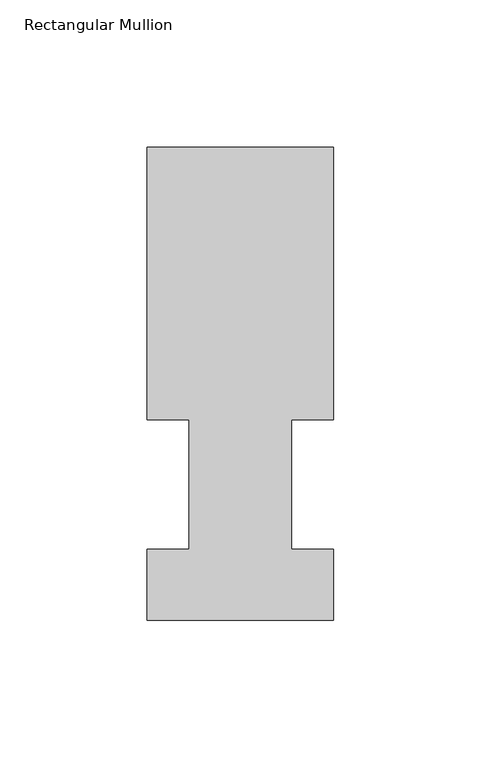
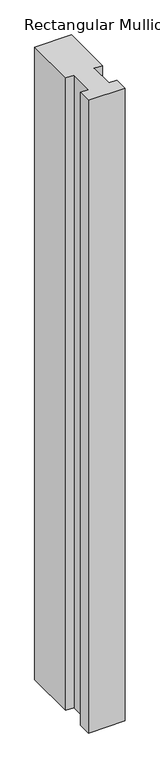
"""IFC4 building model written with IfcOpenShell, lengths in millimetres: member geometry, Rectangular Mullion."""

import ifcopenshell
import ifcopenshell.guid

model = None  # the IFC model being written
_history = None  # IfcOwnerHistory: only IFC2X3 demands one
_inside = {}  # id of a spatial element -> (the spatial element, [elements in it])
_under = {}  # id of a project, library or spatial element -> (it, [spatial elements below it])
_declared = {}  # id of a project -> (the project, [libraries it declares])
_typed = {}  # id of a type object -> (the type object, [elements of that type])
_made_of = {}  # id of a material, layer set ... -> (it, [elements and type objects made of it])


def new_model(schema):
    """Start an empty IFC model of exactly this schema.

    Asked for "IFC4X3", IfcOpenShell would pick the latest addendum, in which some entities
    have other attributes; the version numbers below select the first issue.
    IFC2X3 requires an IfcOwnerHistory on every rooted entity: one is made here for all.
    """
    global model, _history
    if schema == "IFC4X3":
        model = ifcopenshell.file(schema_version=(4, 3, 0, 0))
    else:
        model = ifcopenshell.file(schema=schema)
    _inside.clear()
    _under.clear()
    _declared.clear()
    _typed.clear()
    _made_of.clear()
    _history = None
    if model.schema == "IFC2X3":
        org = make("IfcOrganization", Name="unknown")
        user = make(
            "IfcPersonAndOrganization",
            ThePerson=make("IfcPerson", FamilyName="unknown"),
            TheOrganization=org,
        )
        app = make(
            "IfcApplication",
            ApplicationDeveloper=org,
            Version="unknown",
            ApplicationFullName="unknown",
            ApplicationIdentifier="unknown",
        )
        _history = make(
            "IfcOwnerHistory",
            OwningUser=user,
            OwningApplication=app,
            ChangeAction="ADDED",
            CreationDate=0,
        )
    return model


def make(cls, **values):
    """One entity of the class cls with the attributes given. An attribute that is None is left unset."""
    return model.create_entity(
        cls, **{name: value for name, value in values.items() if value is not None}
    )


def rooted(cls, **values):
    """An entity with a GlobalId (a new one), such as an element, a storey or a relation."""
    return make(cls, GlobalId=ifcopenshell.guid.new(), OwnerHistory=_history, **values)


def si_unit(unit_type, name, prefix=None):
    """IfcSIUnit, for example si_unit("LENGTHUNIT", "METRE", prefix="MILLI")."""
    return make("IfcSIUnit", UnitType=unit_type, Prefix=prefix, Name=name)


def assignment(units):
    """IfcUnitAssignment: the units of a project."""
    return None if units is None else make("IfcUnitAssignment", Units=units)


def point(xyz):
    """IfcCartesianPoint."""
    return None if xyz is None else make("IfcCartesianPoint", Coordinates=xyz)


def direction(xyz):
    """IfcDirection."""
    return None if xyz is None else make("IfcDirection", DirectionRatios=xyz)


def frame(location, z_axis=None, x_axis=None):
    """IfcAxis2Placement3D, a coordinate frame: its origin and axes. An axis left out is left unset."""
    return make(
        "IfcAxis2Placement3D",
        Location=point(location),
        Axis=direction(z_axis),
        RefDirection=direction(x_axis),
    )


def origin():
    """The frame at (0, 0, 0) with its axes left unset."""
    return frame((0.0, 0.0, 0.0))


def place(relative_to, where):
    """IfcLocalPlacement: puts the frame where relative to a parent placement (None: the world)."""
    return make(
        "IfcLocalPlacement", PlacementRelTo=relative_to, RelativePlacement=where
    )


def context(
    kind, dimensions, precision=None, world=None, true_north=None, identifier=None
):
    """IfcGeometricRepresentationContext, for example the 3D "Model" context."""
    return make(
        "IfcGeometricRepresentationContext",
        ContextIdentifier=identifier,
        ContextType=kind,
        CoordinateSpaceDimension=dimensions,
        Precision=precision,
        WorldCoordinateSystem=world,
        TrueNorth=true_north,
    )


def project(units=None, contexts=None):
    """IfcProject with its units and contexts."""
    return rooted(
        "IfcProject",
        Name="project",
        RepresentationContexts=contexts,
        UnitsInContext=assignment(units),
    )


def spatial(cls, under=None, at=None, **own):
    """A site, building, storey or space (cls), placed at a placement, below another one or the project."""
    s = rooted(cls, ObjectPlacement=at, **own)
    if under is not None:
        _under.setdefault(under.id(), (under, []))[1].append(s)
    return s


def polyline(points):
    """IfcPolyline through the points."""
    return make("IfcPolyline", Points=[point(p) for p in points])


def outline(outer, holes=None, kind="AREA"):
    """IfcArbitraryClosedProfileDef: a profile drawn as a closed curve; with holes, ...WithVoids."""
    if holes is None:
        return make("IfcArbitraryClosedProfileDef", ProfileType=kind, OuterCurve=outer)
    return make(
        "IfcArbitraryProfileDefWithVoids",
        ProfileType=kind,
        OuterCurve=outer,
        InnerCurves=holes,
    )


def extrude(swept, where, along, depth):
    """IfcExtrudedAreaSolid: the profile swept, set in the frame where, extruded along a direction by depth."""
    return make(
        "IfcExtrudedAreaSolid",
        SweptArea=swept,
        Position=where,
        ExtrudedDirection=direction(along),
        Depth=depth,
    )


def shape(context_of_items, identifier, shape_type, items):
    """IfcShapeRepresentation: the items that make up one representation, for example the "Body"."""
    return make(
        "IfcShapeRepresentation",
        ContextOfItems=context_of_items,
        RepresentationIdentifier=identifier,
        RepresentationType=shape_type,
        Items=items,
    )


def source(mapping_origin, context_of_items, identifier, shape_type, items):
    """IfcRepresentationMap: a shape defined once, which mapped items show again and again."""
    return make(
        "IfcRepresentationMap",
        MappingOrigin=mapping_origin,
        MappedRepresentation=shape(context_of_items, identifier, shape_type, items),
    )


def transform(
    local_origin,
    x_axis=None,
    y_axis=None,
    z_axis=None,
    scale=None,
    scale2=None,
    scale3=None,
    uniform=True,
):
    """IfcCartesianTransformationOperator3D, or its non-uniform kind. x_axis, y_axis, z_axis: its Axis1, 2, 3."""
    if uniform:
        return make(
            "IfcCartesianTransformationOperator3D",
            Axis1=direction(x_axis),
            Axis2=direction(y_axis),
            LocalOrigin=point(local_origin),
            Scale=scale,
            Axis3=direction(z_axis),
        )
    return make(
        "IfcCartesianTransformationOperator3DnonUniform",
        Axis1=direction(x_axis),
        Axis2=direction(y_axis),
        LocalOrigin=point(local_origin),
        Scale=scale,
        Axis3=direction(z_axis),
        Scale2=scale2,
        Scale3=scale3,
    )


def mapped(mapping_source, mapping_target):
    """IfcMappedItem: shows the shape of a source again, moved by a transform."""
    return make(
        "IfcMappedItem", MappingSource=mapping_source, MappingTarget=mapping_target
    )


def made_of(thing, what):
    """Note that an element or type object is made of a material, layer set ...; save() writes the relation."""
    if what is not None:
        _made_of.setdefault(what.id(), (what, []))[1].append(thing)
    return thing


def element(
    cls,
    number,
    at=None,
    inside=None,
    cuts=None,
    type_object=None,
    material=None,
    context=None,
    identifier="Body",
    shape_type=None,
    held_by="IfcProductDefinitionShape",
    body=None,
    shapes=None,
    **own,
):
    """One element of the class cls, such as IfcWall. Its Tag is "e" and its number.

    at: its placement. inside: the storey or other place that contains it. cuts: it is an
    opening in that element (IfcRelVoidsElement). A single representation is given by context,
    identifier, shape_type and body (its items); several are given by shapes. held_by: the class
    of the entity that holds the representations. save() writes the other relations.
    """
    e = rooted(cls, Tag="e%d" % number, ObjectPlacement=at, **own)
    if body is not None:
        shapes = [shape(context, identifier, shape_type, body)]
    if shapes is not None:
        e.Representation = make(held_by, Representations=shapes)
    if inside is not None:
        _inside.setdefault(inside.id(), (inside, []))[1].append(e)
    if cuts is not None:
        rooted(
            "IfcRelVoidsElement", RelatingBuildingElement=cuts, RelatedOpeningElement=e
        )
    if type_object is not None:
        _typed.setdefault(type_object.id(), (type_object, []))[1].append(e)
    return made_of(e, material)


def aggregate(whole, parts):
    """IfcRelAggregates: a whole, such as a stair, and the parts it consists of."""
    return rooted("IfcRelAggregates", RelatingObject=whole, RelatedObjects=parts)


def save(model, path):
    """Write the relations noted so far, then the file.

    IfcRelAggregates (storeys below a building ...), IfcRelContainedInSpatialStructure (elements
    in a storey), IfcRelDefinesByType, IfcRelAssociatesMaterial and IfcRelDeclares: one each for
    every whole, place, type object, material and project.
    """
    for whole, parts in _under.values():
        aggregate(whole, parts)
    for where, things in _inside.values():
        rooted(
            "IfcRelContainedInSpatialStructure",
            RelatedElements=things,
            RelatingStructure=where,
        )
    for kind, things in _typed.values():
        rooted("IfcRelDefinesByType", RelatedObjects=things, RelatingType=kind)
    for what, things in _made_of.values():
        rooted("IfcRelAssociatesMaterial", RelatedObjects=things, RelatingMaterial=what)
    for by, libraries in _declared.values():
        rooted("IfcRelDeclares", RelatingContext=by, RelatedDefinitions=libraries)
    model.write(path)


def rectangular_mullion_f15d4166(model_context):
    return source(origin(), model_context, "Body", "SweptSolid", [
        extrude(outline(polyline([(31.75, 158.7388875), (31.75, 66.0796875), (17.4625, 66.0796875), (17.4625, 22.1122875), (31.75, 22.1122875), (31.75, -2.0908424), (-31.75, -2.0908424), (-31.75, 22.1122875), (-17.4625, 22.1122875), (-17.4625, 66.0796875), (-31.75, 66.0796875), (-31.75, 158.7388875), (31.75, 158.7388875)])), frame((0.0, 0.0, -1155.7), z_axis=(0.0, 0.0, 1.0), x_axis=(1.0, 0.0, 0.0)), (0.0, 0.0, 1.0), 1155.7),
    ])


if __name__ == "__main__":
    model = new_model("IFC4")
    model_context = context("Model", 3, world=origin())
    ifc_project = project(units=[si_unit("LENGTHUNIT", "METRE", prefix="MILLI")], contexts=[model_context])
    site = spatial("IfcSite", under=ifc_project)
    building = spatial("IfcBuilding", under=site)
    placement = place(None, origin())
    rectangular_mullion_shape = rectangular_mullion_f15d4166(model_context)
    element("IfcMember", 1, ObjectType="Rectangular Mullion", at=placement, inside=building, context=model_context, shape_type="MappedRepresentation", body=[
        mapped(rectangular_mullion_shape, transform((0.0, 0.0, 0.0), x_axis=(1.0, 0.0, 0.0), y_axis=(0.0, 1.0, 0.0), z_axis=(0.0, 0.0, 1.0))),
    ])
    save(model, "model.ifc")
